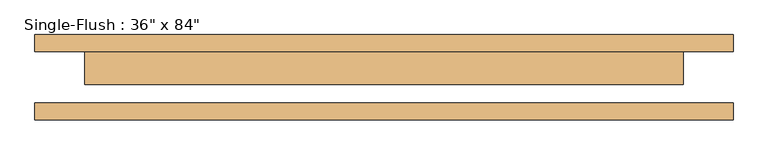
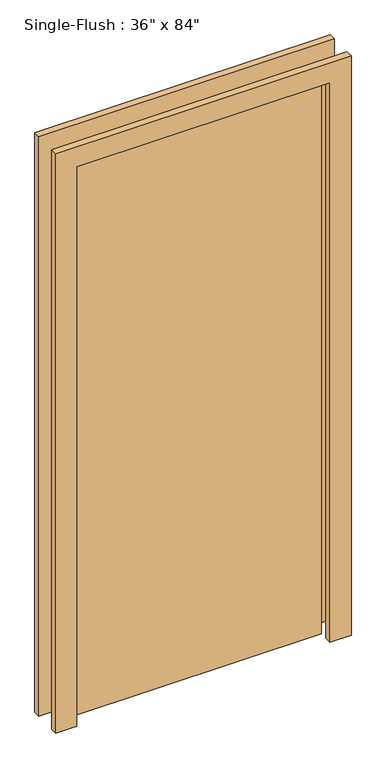
"""IFC4 building model written with IfcOpenShell, lengths in millimetres: door geometry."""

from ifc_helpers import new_model, si_unit, frame, origin, origin_with_axes, place, context, project, spatial, polyline, outline, extrude, source, transform, mapped, element, save


def door_b11bfbd7(model_context):
    return source(origin(), model_context, "Body", "SweptSolid", [
        extrude(outline(polyline([(2209.8, -533.4), (0.0, -533.4), (0.0, -457.2), (2133.6, -457.2), (2133.6, 457.2), (0.0, 457.2), (0.0, 533.4), (2209.8, 533.4), (2209.8, -533.4)])), frame((0.0, 39.6875, 0.0), z_axis=(0.0, 1.0, 0.0), x_axis=(0.0, 0.0, 1.0)), (0.0, 0.0, 1.0), 25.4),
        extrude(outline(polyline([(2209.8, 533.4), (2209.8, -533.4), (0.0, -533.4), (0.0, -457.2), (2133.6, -457.2), (2133.6, 457.2), (0.0, 457.2), (0.0, 533.4), (2209.8, 533.4)])), frame((0.0, -65.0875, 0.0), z_axis=(0.0, 1.0, 0.0), x_axis=(0.0, 0.0, 1.0)), (0.0, 0.0, 1.0), 25.4),
        extrude(outline(polyline([(457.2, -11.1125), (-457.2, -11.1125), (-457.2, 39.6875), (457.2, 39.6875), (457.2, -11.1125)])), origin_with_axes(), (0.0, 0.0, 1.0), 2133.6),
    ])


if __name__ == "__main__":
    model = new_model("IFC4")
    model_context = context("Model", 3, world=origin())
    ifc_project = project(units=[si_unit("LENGTHUNIT", "METRE", prefix="MILLI")], contexts=[model_context])
    site = spatial("IfcSite", under=ifc_project)
    building = spatial("IfcBuilding", under=site)
    placement = place(None, origin())
    door_shape = door_b11bfbd7(model_context)
    element("IfcDoor", 1, ObjectType="Single-Flush : 36\" x 84\"", at=placement, inside=building, context=model_context, shape_type="MappedRepresentation", body=[
        mapped(door_shape, transform((0.0, 0.0, 0.0), x_axis=(1.0, 0.0, 0.0), y_axis=(0.0, 1.0, 0.0), z_axis=(0.0, 0.0, 1.0))),
    ])
    save(model, "model.ifc")
